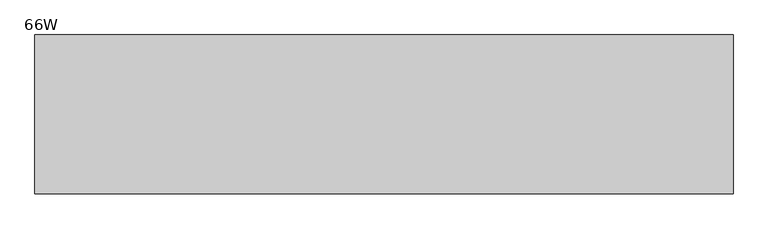
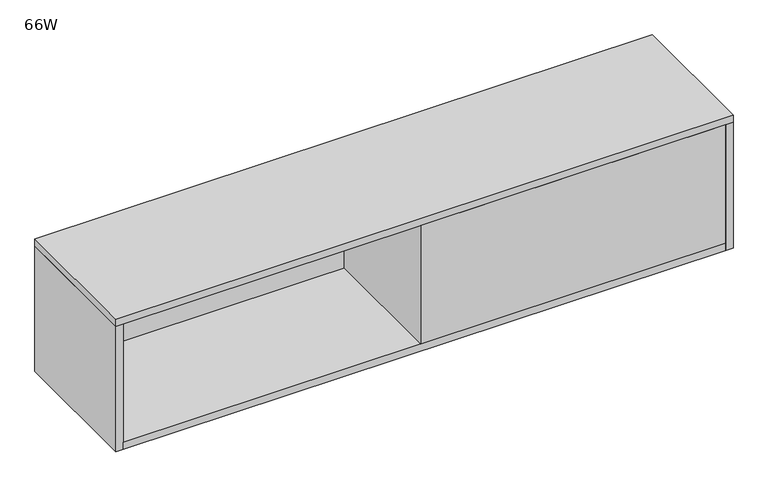
"""IFC4 building model written with IfcOpenShell, lengths in millimetres: furniture geometry, 66W."""

from ifc_helpers import new_model, si_unit, frame, origin, place, context, project, spatial, polyline, outline, extrude, source, transform, mapped, element, save


def furniture_66w_265938ee(model_context):
    return source(origin(), model_context, "Body", "SweptSolid", [
        extrude(outline(polyline([(1656.08, -360.68), (1656.08, -381.0), (828.04, -381.0), (828.04, -20.32), (20.32, -20.32), (20.32, 0.0), (848.36, 0.0), (848.36, -360.68), (1656.08, -360.68)])), frame((0.0, 0.0, 1328.42), z_axis=(0.0, 0.0, 1.0), x_axis=(1.0, 0.0, 0.0)), (0.0, 0.0, 1.0), 340.36),
        extrude(outline(polyline([(1676.4, -381.0), (0.0, -381.0), (0.0, 0.0), (1676.4, 0.0), (1676.4, -381.0)])), frame((0.0, 0.0, 1668.78), z_axis=(0.0, 0.0, 1.0), x_axis=(1.0, 0.0, 0.0)), (0.0, 0.0, 1.0), 20.32),
        extrude(outline(polyline([(1656.08, -381.0), (20.32, -381.0), (20.32, 0.0), (1656.08, 0.0), (1656.08, -381.0)])), frame((0.0, 0.0, 1308.1), z_axis=(0.0, 0.0, 1.0), x_axis=(1.0, 0.0, 0.0)), (0.0, 0.0, 1.0), 20.32),
        extrude(outline(polyline([(20.32, -381.0), (0.0, -381.0), (0.0, 0.0), (20.32, 0.0), (20.32, -381.0)])), frame((0.0, 0.0, 1308.1), z_axis=(0.0, 0.0, 1.0), x_axis=(1.0, 0.0, 0.0)), (0.0, 0.0, 1.0), 360.68),
        extrude(outline(polyline([(1676.4, -381.0), (1656.08, -381.0), (1656.08, 0.0), (1676.4, 0.0), (1676.4, -381.0)])), frame((0.0, 0.0, 1308.1), z_axis=(0.0, 0.0, 1.0), x_axis=(1.0, 0.0, 0.0)), (0.0, 0.0, 1.0), 360.68),
    ])


if __name__ == "__main__":
    model = new_model("IFC4")
    model_context = context("Model", 3, world=origin())
    ifc_project = project(units=[si_unit("LENGTHUNIT", "METRE", prefix="MILLI")], contexts=[model_context])
    site = spatial("IfcSite", under=ifc_project)
    building = spatial("IfcBuilding", under=site)
    placement = place(None, origin())
    furniture_66w_shape = furniture_66w_265938ee(model_context)
    element("IfcFurniture", 1, ObjectType="66W", at=placement, inside=building, context=model_context, shape_type="MappedRepresentation", body=[
        mapped(furniture_66w_shape, transform((0.0, 0.0, 0.0), x_axis=(1.0, 0.0, 0.0), y_axis=(0.0, 1.0, 0.0), z_axis=(0.0, 0.0, 1.0))),
    ])
    save(model, "model.ifc")
